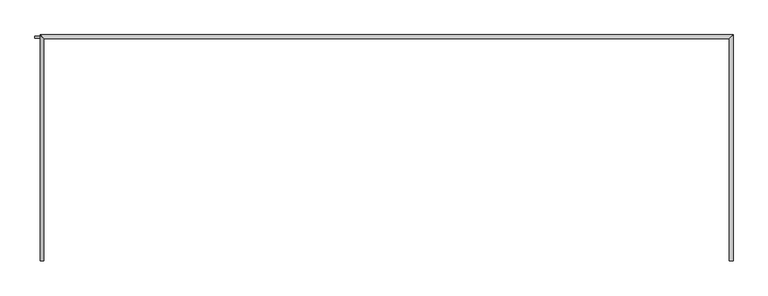
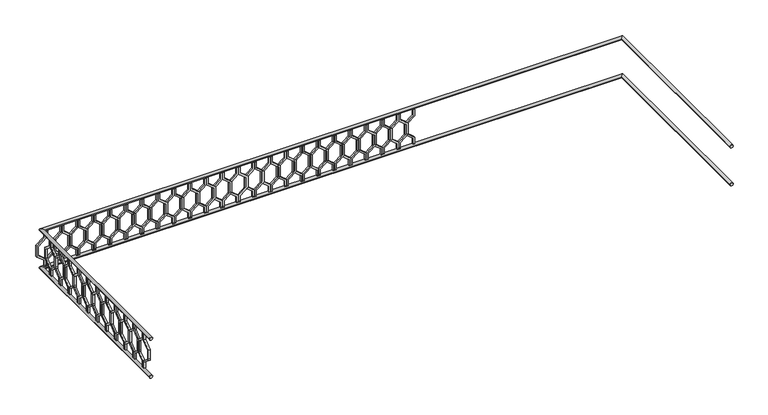
"""IFC4 building model written with IfcOpenShell, lengths in millimetres: railing geometry."""

import ifcopenshell
import ifcopenshell.guid

model = None  # the IFC model being written
_history = None  # IfcOwnerHistory: only IFC2X3 demands one
_inside = {}  # id of a spatial element -> (the spatial element, [elements in it])
_under = {}  # id of a project, library or spatial element -> (it, [spatial elements below it])
_declared = {}  # id of a project -> (the project, [libraries it declares])
_typed = {}  # id of a type object -> (the type object, [elements of that type])
_made_of = {}  # id of a material, layer set ... -> (it, [elements and type objects made of it])


def new_model(schema):
    """Start an empty IFC model of exactly this schema.

    Asked for "IFC4X3", IfcOpenShell would pick the latest addendum, in which some entities
    have other attributes; the version numbers below select the first issue.
    IFC2X3 requires an IfcOwnerHistory on every rooted entity: one is made here for all.
    """
    global model, _history
    if schema == "IFC4X3":
        model = ifcopenshell.file(schema_version=(4, 3, 0, 0))
    else:
        model = ifcopenshell.file(schema=schema)
    _inside.clear()
    _under.clear()
    _declared.clear()
    _typed.clear()
    _made_of.clear()
    _history = None
    if model.schema == "IFC2X3":
        org = make("IfcOrganization", Name="unknown")
        user = make(
            "IfcPersonAndOrganization",
            ThePerson=make("IfcPerson", FamilyName="unknown"),
            TheOrganization=org,
        )
        app = make(
            "IfcApplication",
            ApplicationDeveloper=org,
            Version="unknown",
            ApplicationFullName="unknown",
            ApplicationIdentifier="unknown",
        )
        _history = make(
            "IfcOwnerHistory",
            OwningUser=user,
            OwningApplication=app,
            ChangeAction="ADDED",
            CreationDate=0,
        )
    return model


def make(cls, **values):
    """One entity of the class cls with the attributes given. An attribute that is None is left unset."""
    return model.create_entity(
        cls, **{name: value for name, value in values.items() if value is not None}
    )


def rooted(cls, **values):
    """An entity with a GlobalId (a new one), such as an element, a storey or a relation."""
    return make(cls, GlobalId=ifcopenshell.guid.new(), OwnerHistory=_history, **values)


def si_unit(unit_type, name, prefix=None):
    """IfcSIUnit, for example si_unit("LENGTHUNIT", "METRE", prefix="MILLI")."""
    return make("IfcSIUnit", UnitType=unit_type, Prefix=prefix, Name=name)


def assignment(units):
    """IfcUnitAssignment: the units of a project."""
    return None if units is None else make("IfcUnitAssignment", Units=units)


def point(xyz):
    """IfcCartesianPoint."""
    return None if xyz is None else make("IfcCartesianPoint", Coordinates=xyz)


def direction(xyz):
    """IfcDirection."""
    return None if xyz is None else make("IfcDirection", DirectionRatios=xyz)


def frame(location, z_axis=None, x_axis=None):
    """IfcAxis2Placement3D, a coordinate frame: its origin and axes. An axis left out is left unset."""
    return make(
        "IfcAxis2Placement3D",
        Location=point(location),
        Axis=direction(z_axis),
        RefDirection=direction(x_axis),
    )


def origin():
    """The frame at (0, 0, 0) with its axes left unset."""
    return frame((0.0, 0.0, 0.0))


def place(relative_to, where):
    """IfcLocalPlacement: puts the frame where relative to a parent placement (None: the world)."""
    return make(
        "IfcLocalPlacement", PlacementRelTo=relative_to, RelativePlacement=where
    )


def context(
    kind, dimensions, precision=None, world=None, true_north=None, identifier=None
):
    """IfcGeometricRepresentationContext, for example the 3D "Model" context."""
    return make(
        "IfcGeometricRepresentationContext",
        ContextIdentifier=identifier,
        ContextType=kind,
        CoordinateSpaceDimension=dimensions,
        Precision=precision,
        WorldCoordinateSystem=world,
        TrueNorth=true_north,
    )


def project(units=None, contexts=None):
    """IfcProject with its units and contexts."""
    return rooted(
        "IfcProject",
        Name="project",
        RepresentationContexts=contexts,
        UnitsInContext=assignment(units),
    )


def spatial(cls, under=None, at=None, **own):
    """A site, building, storey or space (cls), placed at a placement, below another one or the project."""
    s = rooted(cls, ObjectPlacement=at, **own)
    if under is not None:
        _under.setdefault(under.id(), (under, []))[1].append(s)
    return s


def polyline(points):
    """IfcPolyline through the points."""
    return make("IfcPolyline", Points=[point(p) for p in points])


def circle_curve(where, radius):
    """IfcCircle in the frame where."""
    return make("IfcCircle", Position=where, Radius=radius)


def ellipse_curve(where, semi_axis1, semi_axis2):
    """IfcEllipse in the frame where."""
    return make(
        "IfcEllipse", Position=where, SemiAxis1=semi_axis1, SemiAxis2=semi_axis2
    )


def outline(outer, holes=None, kind="AREA"):
    """IfcArbitraryClosedProfileDef: a profile drawn as a closed curve; with holes, ...WithVoids."""
    if holes is None:
        return make("IfcArbitraryClosedProfileDef", ProfileType=kind, OuterCurve=outer)
    return make(
        "IfcArbitraryProfileDefWithVoids",
        ProfileType=kind,
        OuterCurve=outer,
        InnerCurves=holes,
    )


def extrude(swept, where, along, depth):
    """IfcExtrudedAreaSolid: the profile swept, set in the frame where, extruded along a direction by depth."""
    return make(
        "IfcExtrudedAreaSolid",
        SweptArea=swept,
        Position=where,
        ExtrudedDirection=direction(along),
        Depth=depth,
    )


def shape(context_of_items, identifier, shape_type, items):
    """IfcShapeRepresentation: the items that make up one representation, for example the "Body"."""
    return make(
        "IfcShapeRepresentation",
        ContextOfItems=context_of_items,
        RepresentationIdentifier=identifier,
        RepresentationType=shape_type,
        Items=items,
    )


def source(mapping_origin, context_of_items, identifier, shape_type, items):
    """IfcRepresentationMap: a shape defined once, which mapped items show again and again."""
    return make(
        "IfcRepresentationMap",
        MappingOrigin=mapping_origin,
        MappedRepresentation=shape(context_of_items, identifier, shape_type, items),
    )


def transform(
    local_origin,
    x_axis=None,
    y_axis=None,
    z_axis=None,
    scale=None,
    scale2=None,
    scale3=None,
    uniform=True,
):
    """IfcCartesianTransformationOperator3D, or its non-uniform kind. x_axis, y_axis, z_axis: its Axis1, 2, 3."""
    if uniform:
        return make(
            "IfcCartesianTransformationOperator3D",
            Axis1=direction(x_axis),
            Axis2=direction(y_axis),
            LocalOrigin=point(local_origin),
            Scale=scale,
            Axis3=direction(z_axis),
        )
    return make(
        "IfcCartesianTransformationOperator3DnonUniform",
        Axis1=direction(x_axis),
        Axis2=direction(y_axis),
        LocalOrigin=point(local_origin),
        Scale=scale,
        Axis3=direction(z_axis),
        Scale2=scale2,
        Scale3=scale3,
    )


def mapped(mapping_source, mapping_target):
    """IfcMappedItem: shows the shape of a source again, moved by a transform."""
    return make(
        "IfcMappedItem", MappingSource=mapping_source, MappingTarget=mapping_target
    )


def made_of(thing, what):
    """Note that an element or type object is made of a material, layer set ...; save() writes the relation."""
    if what is not None:
        _made_of.setdefault(what.id(), (what, []))[1].append(thing)
    return thing


def element(
    cls,
    number,
    at=None,
    inside=None,
    cuts=None,
    type_object=None,
    material=None,
    context=None,
    identifier="Body",
    shape_type=None,
    held_by="IfcProductDefinitionShape",
    body=None,
    shapes=None,
    **own,
):
    """One element of the class cls, such as IfcWall. Its Tag is "e" and its number.

    at: its placement. inside: the storey or other place that contains it. cuts: it is an
    opening in that element (IfcRelVoidsElement). A single representation is given by context,
    identifier, shape_type and body (its items); several are given by shapes. held_by: the class
    of the entity that holds the representations. save() writes the other relations.
    """
    e = rooted(cls, Tag="e%d" % number, ObjectPlacement=at, **own)
    if body is not None:
        shapes = [shape(context, identifier, shape_type, body)]
    if shapes is not None:
        e.Representation = make(held_by, Representations=shapes)
    if inside is not None:
        _inside.setdefault(inside.id(), (inside, []))[1].append(e)
    if cuts is not None:
        rooted(
            "IfcRelVoidsElement", RelatingBuildingElement=cuts, RelatedOpeningElement=e
        )
    if type_object is not None:
        _typed.setdefault(type_object.id(), (type_object, []))[1].append(e)
    return made_of(e, material)


def aggregate(whole, parts):
    """IfcRelAggregates: a whole, such as a stair, and the parts it consists of."""
    return rooted("IfcRelAggregates", RelatingObject=whole, RelatedObjects=parts)


def save(model, path):
    """Write the relations noted so far, then the file.

    IfcRelAggregates (storeys below a building ...), IfcRelContainedInSpatialStructure (elements
    in a storey), IfcRelDefinesByType, IfcRelAssociatesMaterial and IfcRelDeclares: one each for
    every whole, place, type object, material and project.
    """
    for whole, parts in _under.values():
        aggregate(whole, parts)
    for where, things in _inside.values():
        rooted(
            "IfcRelContainedInSpatialStructure",
            RelatedElements=things,
            RelatingStructure=where,
        )
    for kind, things in _typed.values():
        rooted("IfcRelDefinesByType", RelatedObjects=things, RelatingType=kind)
    for what, things in _made_of.values():
        rooted("IfcRelAssociatesMaterial", RelatedObjects=things, RelatingMaterial=what)
    for by, libraries in _declared.values():
        rooted("IfcRelDeclares", RelatingContext=by, RelatedDefinitions=libraries)
    model.write(path)


def plane_surface(at):
    """IfcPlane: the flat surface through the origin of the frame at, square to its z axis."""
    return make("IfcPlane", Position=at)


def cylinder_surface(at, radius):
    """IfcCylindricalSurface: all points at the distance radius from the z axis of the frame at."""
    return make("IfcCylindricalSurface", Position=at, Radius=radius)


def advanced_brep(points, edges, surfaces, faces):
    """IfcAdvancedBrep: a solid bounded by faces that lie on surfaces and meet in shared edges.

    An edge is (start, end): straight between two places in points (the first is 0);
    or (start, end, curve); or (start, end, curve, False) where it runs against its curve.
    A face is (place in surfaces, loops), or (place, loops, False) where it looks against
    its surface's normal. A loop lists edges by number (the first is 1), with a minus sign
    where the edge is run from its end to its start. The first loop is the outer one.
    """
    corners = [point(p) for p in points]
    vertices = [make("IfcVertexPoint", VertexGeometry=c) for c in corners]
    made = []
    for start, end, *more in edges:
        made.append(
            make(
                "IfcEdgeCurve",
                EdgeStart=vertices[start],
                EdgeEnd=vertices[end],
                EdgeGeometry=more[0] if more else make("IfcPolyline", Points=[corners[start], corners[end]]),
                SameSense=more[1] if len(more) > 1 else True,
            )
        )
    hull = []
    for where, loops, *sense in faces:
        bounds = []
        for j, loop in enumerate(loops):
            ring = [make("IfcOrientedEdge", EdgeElement=made[abs(k) - 1], Orientation=k > 0) for k in loop]
            bounds.append(
                make(
                    "IfcFaceOuterBound" if j == 0 else "IfcFaceBound",
                    Bound=make("IfcEdgeLoop", EdgeList=ring),
                    Orientation=True,
                )
            )
        hull.append(make("IfcAdvancedFace", Bounds=bounds, FaceSurface=surfaces[where], SameSense=sense[0] if sense else True))
    return make("IfcAdvancedBrep", Outer=make("IfcClosedShell", CfsFaces=hull))


def railing_c33d72bb(model_context):
    return source(origin(), model_context, "Body", "SolidModel", [
        advanced_brep(
        [(-40739.9887159, 903.1079487, 12180.0), (-40699.9887159, 903.1079487, 12180.0), (-40739.9887159, 3243.1079487, 12180.0), (-40699.9887159, 3283.1079487, 12180.0), (-47939.9887159, 3243.1079487, 12180.0), (-47979.9887159, 3283.1079487, 12180.0), (-47939.9887159, 903.1079487, 12180.0), (-47979.9887159, 903.1079487, 12180.0)],
        [
            (0, 1, circle_curve(frame((-40719.9887159, 903.1079487, 12180.0), z_axis=(0.0, -1.0, 0.0), x_axis=(1.0, 0.0, 0.0)), 20.0)),
            (1, 0, circle_curve(frame((-40719.9887159, 903.1079487, 12180.0), z_axis=(0.0, -1.0, 0.0), x_axis=(1.0, 0.0, 0.0)), 20.0)),
            (0, 2),
            (2, 3, ellipse_curve(frame((-40719.9887159, 3263.1079487, 12180.0), z_axis=(0.7071067811865475, -0.7071067811865476, 0.0), x_axis=(-0.7071067811865476, -0.7071067811865475, 0.0)), 28.2842712, 20.0)),
            (3, 1),
            (3, 2, ellipse_curve(frame((-40719.9887159, 3263.1079487, 12180.0), z_axis=(0.7071067811865475, -0.7071067811865476, 0.0), x_axis=(-0.7071067811865476, -0.7071067811865475, 0.0)), 28.2842712, 20.0)),
            (2, 4),
            (4, 5, ellipse_curve(frame((-47959.9887159, 3263.1079487, 12180.0), z_axis=(0.7071067811865481, 0.7071067811865469, 0.0), x_axis=(0.7071067811865469, -0.7071067811865481, 0.0)), 28.2842712, 20.0)),
            (5, 3),
            (5, 4, ellipse_curve(frame((-47959.9887159, 3263.1079487, 12180.0), z_axis=(0.7071067811865481, 0.7071067811865469, 0.0), x_axis=(0.7071067811865469, -0.7071067811865481, 0.0)), 28.2842712, 20.0)),
            (6, 7, circle_curve(frame((-47959.9887159, 903.1079487, 12180.0), z_axis=(0.0, -1.0, 0.0), x_axis=(-1.0, 0.0, 0.0)), 20.0)),
            (7, 6, circle_curve(frame((-47959.9887159, 903.1079487, 12180.0), z_axis=(0.0, -1.0, 0.0), x_axis=(-1.0, 0.0, 0.0)), 20.0)),
            (4, 6),
            (7, 5),
        ],
        [
            plane_surface(frame((-40719.9887159, 903.1079487, 12200.0), z_axis=(0.0, -1.0, 0.0), x_axis=(0.0, 0.0, 1.0))),
            cylinder_surface(frame((-40719.9887159, 903.1079487, 12180.0), z_axis=(0.0, -1.0, 0.0), x_axis=(1.0, 0.0, 0.0)), 20.0),
            cylinder_surface(frame((-40719.9887159, 3263.1079487, 12180.0), z_axis=(1.0, 0.0, 0.0), x_axis=(0.0, 1.0, 0.0)), 20.0),
            plane_surface(frame((-47959.9887159, 903.1079487, 12200.0), z_axis=(0.0, -1.0, 0.0), x_axis=(0.0, 0.0, -1.0))),
            cylinder_surface(frame((-47959.9887159, 3263.1079487, 12180.0), z_axis=(0.0, 1.0, 0.0), x_axis=(-1.0, 0.0, 0.0)), 20.0),
        ],
        [
            (0, [[1, 2]]),
            (1, [[-1, 3, 4, 5]]),
            (1, [[-2, -5, 6, -3]]),
            (2, [[-4, 7, 8, 9]]),
            (2, [[-6, -9, 10, -7]]),
            (3, [[11, 12]]),
            (4, [[-8, 13, -12, 14]]),
            (4, [[-10, -14, -11, -13]]),
        ],
    ),
        advanced_brep(
        [(-40739.9887159, 903.1079487, 11680.0), (-40699.9887159, 903.1079487, 11680.0), (-40739.9887159, 3243.1079487, 11680.0), (-40699.9887159, 3283.1079487, 11680.0), (-47939.9887159, 3243.1079487, 11680.0), (-47979.9887159, 3283.1079487, 11680.0), (-47939.9887159, 903.1079487, 11680.0), (-47979.9887159, 903.1079487, 11680.0)],
        [
            (0, 1, circle_curve(frame((-40719.9887159, 903.1079487, 11680.0), z_axis=(0.0, -1.0, 0.0), x_axis=(1.0, 0.0, 0.0)), 20.0)),
            (1, 0, circle_curve(frame((-40719.9887159, 903.1079487, 11680.0), z_axis=(0.0, -1.0, 0.0), x_axis=(1.0, 0.0, 0.0)), 20.0)),
            (0, 2),
            (2, 3, ellipse_curve(frame((-40719.9887159, 3263.1079487, 11680.0), z_axis=(0.7071067811865475, -0.7071067811865476, 0.0), x_axis=(-0.7071067811865476, -0.7071067811865475, 0.0)), 28.2842712, 20.0)),
            (3, 1),
            (3, 2, ellipse_curve(frame((-40719.9887159, 3263.1079487, 11680.0), z_axis=(0.7071067811865475, -0.7071067811865476, 0.0), x_axis=(-0.7071067811865476, -0.7071067811865475, 0.0)), 28.2842712, 20.0)),
            (2, 4),
            (4, 5, ellipse_curve(frame((-47959.9887159, 3263.1079487, 11680.0), z_axis=(0.7071067811865481, 0.7071067811865469, 0.0), x_axis=(0.7071067811865469, -0.7071067811865481, 0.0)), 28.2842712, 20.0)),
            (5, 3),
            (5, 4, ellipse_curve(frame((-47959.9887159, 3263.1079487, 11680.0), z_axis=(0.7071067811865481, 0.7071067811865469, 0.0), x_axis=(0.7071067811865469, -0.7071067811865481, 0.0)), 28.2842712, 20.0)),
            (6, 7, circle_curve(frame((-47959.9887159, 903.1079487, 11680.0), z_axis=(0.0, -1.0, 0.0), x_axis=(-1.0, 0.0, 0.0)), 20.0)),
            (7, 6, circle_curve(frame((-47959.9887159, 903.1079487, 11680.0), z_axis=(0.0, -1.0, 0.0), x_axis=(-1.0, 0.0, 0.0)), 20.0)),
            (4, 6),
            (7, 5),
        ],
        [
            plane_surface(frame((-40719.9887159, 903.1079487, 11700.0), z_axis=(0.0, -1.0, 0.0), x_axis=(0.0, 0.0, 1.0))),
            cylinder_surface(frame((-40719.9887159, 903.1079487, 11680.0), z_axis=(0.0, -1.0, 0.0), x_axis=(1.0, 0.0, 0.0)), 20.0),
            cylinder_surface(frame((-40719.9887159, 3263.1079487, 11680.0), z_axis=(1.0, 0.0, 0.0), x_axis=(0.0, 1.0, 0.0)), 20.0),
            plane_surface(frame((-47959.9887159, 903.1079487, 11700.0), z_axis=(0.0, -1.0, 0.0), x_axis=(0.0, 0.0, -1.0))),
            cylinder_surface(frame((-47959.9887159, 3263.1079487, 11680.0), z_axis=(0.0, 1.0, 0.0), x_axis=(-1.0, 0.0, 0.0)), 20.0),
        ],
        [
            (0, [[1, 2]]),
            (1, [[-1, 3, 4, 5]]),
            (1, [[-2, -5, 6, -3]]),
            (2, [[-4, 7, 8, 9]]),
            (2, [[-6, -9, 10, -7]]),
            (3, [[11, 12]]),
            (4, [[-8, 13, -12, 14]]),
            (4, [[-10, -14, -11, -13]]),
        ],
    ),
        extrude(outline(polyline([(1068.1079487, 12160.0), (1068.1079487, 12070.448155), (969.1129993, 11990.448155), (969.1129993, 11869.551845), (1068.1079487, 11789.551845), (1068.1079487, 11700.0), (1048.1079487, 11700.0), (1048.1079487, 11780.0), (949.1129993, 11860.0), (949.1129993, 12000.0), (1048.1079487, 12080.0), (1048.1079487, 12160.0), (1068.1079487, 12160.0)])), frame((-47964.9887159, 0.0, 0.0), z_axis=(1.0, 0.0, 0.0), x_axis=(0.0, 1.0, 0.0)), (0.0, 0.0, 1.0), 20.0),
        extrude(outline(polyline([(1068.1079487, 12160.0), (1088.1079487, 12160.0), (1088.1079487, 12080.0), (1187.102898, 12000.0), (1187.102898, 11860.0), (1088.1079487, 11780.0), (1088.1079487, 11700.0), (1068.1079487, 11700.0), (1068.1079487, 11789.551845), (1167.102898, 11869.551845), (1167.102898, 11990.448155), (1068.1079487, 12070.448155), (1068.1079487, 12160.0)])), frame((-47964.9887159, 0.0, 0.0), z_axis=(1.0, 0.0, 0.0), x_axis=(0.0, 1.0, 0.0)), (0.0, 0.0, 1.0), 20.0),
        extrude(outline(polyline([(1268.1079487, 12160.0), (1268.1079487, 12070.448155), (1169.1129993, 11990.448155), (1169.1129993, 11869.551845), (1268.1079487, 11789.551845), (1268.1079487, 11700.0), (1248.1079487, 11700.0), (1248.1079487, 11780.0), (1149.1129993, 11860.0), (1149.1129993, 12000.0), (1248.1079487, 12080.0), (1248.1079487, 12160.0), (1268.1079487, 12160.0)])), frame((-47964.9887159, 0.0, 0.0), z_axis=(1.0, 0.0, 0.0), x_axis=(0.0, 1.0, 0.0)), (0.0, 0.0, 1.0), 20.0),
        extrude(outline(polyline([(1268.1079487, 12160.0), (1288.1079487, 12160.0), (1288.1079487, 12080.0), (1387.102898, 12000.0), (1387.102898, 11860.0), (1288.1079487, 11780.0), (1288.1079487, 11700.0), (1268.1079487, 11700.0), (1268.1079487, 11789.551845), (1367.102898, 11869.551845), (1367.102898, 11990.448155), (1268.1079487, 12070.448155), (1268.1079487, 12160.0)])), frame((-47964.9887159, 0.0, 0.0), z_axis=(1.0, 0.0, 0.0), x_axis=(0.0, 1.0, 0.0)), (0.0, 0.0, 1.0), 20.0),
        extrude(outline(polyline([(1468.1079487, 12160.0), (1468.1079487, 12070.448155), (1369.1129993, 11990.448155), (1369.1129993, 11869.551845), (1468.1079487, 11789.551845), (1468.1079487, 11700.0), (1448.1079487, 11700.0), (1448.1079487, 11780.0), (1349.1129993, 11860.0), (1349.1129993, 12000.0), (1448.1079487, 12080.0), (1448.1079487, 12160.0), (1468.1079487, 12160.0)])), frame((-47964.9887159, 0.0, 0.0), z_axis=(1.0, 0.0, 0.0), x_axis=(0.0, 1.0, 0.0)), (0.0, 0.0, 1.0), 20.0),
        extrude(outline(polyline([(1468.1079487, 12160.0), (1488.1079487, 12160.0), (1488.1079487, 12080.0), (1587.102898, 12000.0), (1587.102898, 11860.0), (1488.1079487, 11780.0), (1488.1079487, 11700.0), (1468.1079487, 11700.0), (1468.1079487, 11789.551845), (1567.102898, 11869.551845), (1567.102898, 11990.448155), (1468.1079487, 12070.448155), (1468.1079487, 12160.0)])), frame((-47964.9887159, 0.0, 0.0), z_axis=(1.0, 0.0, 0.0), x_axis=(0.0, 1.0, 0.0)), (0.0, 0.0, 1.0), 20.0),
        extrude(outline(polyline([(1668.1079487, 12160.0), (1668.1079487, 12070.448155), (1569.1129993, 11990.448155), (1569.1129993, 11869.551845), (1668.1079487, 11789.551845), (1668.1079487, 11700.0), (1648.1079487, 11700.0), (1648.1079487, 11780.0), (1549.1129993, 11860.0), (1549.1129993, 12000.0), (1648.1079487, 12080.0), (1648.1079487, 12160.0), (1668.1079487, 12160.0)])), frame((-47964.9887159, 0.0, 0.0), z_axis=(1.0, 0.0, 0.0), x_axis=(0.0, 1.0, 0.0)), (0.0, 0.0, 1.0), 20.0),
        extrude(outline(polyline([(1668.1079487, 12160.0), (1688.1079487, 12160.0), (1688.1079487, 12080.0), (1787.102898, 12000.0), (1787.102898, 11860.0), (1688.1079487, 11780.0), (1688.1079487, 11700.0), (1668.1079487, 11700.0), (1668.1079487, 11789.551845), (1767.102898, 11869.551845), (1767.102898, 11990.448155), (1668.1079487, 12070.448155), (1668.1079487, 12160.0)])), frame((-47964.9887159, 0.0, 0.0), z_axis=(1.0, 0.0, 0.0), x_axis=(0.0, 1.0, 0.0)), (0.0, 0.0, 1.0), 20.0),
        extrude(outline(polyline([(1868.1079487, 12160.0), (1868.1079487, 12070.448155), (1769.1129993, 11990.448155), (1769.1129993, 11869.551845), (1868.1079487, 11789.551845), (1868.1079487, 11700.0), (1848.1079487, 11700.0), (1848.1079487, 11780.0), (1749.1129993, 11860.0), (1749.1129993, 12000.0), (1848.1079487, 12080.0), (1848.1079487, 12160.0), (1868.1079487, 12160.0)])), frame((-47964.9887159, 0.0, 0.0), z_axis=(1.0, 0.0, 0.0), x_axis=(0.0, 1.0, 0.0)), (0.0, 0.0, 1.0), 20.0),
        extrude(outline(polyline([(1868.1079487, 12160.0), (1888.1079487, 12160.0), (1888.1079487, 12080.0), (1987.102898, 12000.0), (1987.102898, 11860.0), (1888.1079487, 11780.0), (1888.1079487, 11700.0), (1868.1079487, 11700.0), (1868.1079487, 11789.551845), (1967.102898, 11869.551845), (1967.102898, 11990.448155), (1868.1079487, 12070.448155), (1868.1079487, 12160.0)])), frame((-47964.9887159, 0.0, 0.0), z_axis=(1.0, 0.0, 0.0), x_axis=(0.0, 1.0, 0.0)), (0.0, 0.0, 1.0), 20.0),
        extrude(outline(polyline([(2068.1079487, 12160.0), (2068.1079487, 12070.448155), (1969.1129993, 11990.448155), (1969.1129993, 11869.551845), (2068.1079487, 11789.551845), (2068.1079487, 11700.0), (2048.1079487, 11700.0), (2048.1079487, 11780.0), (1949.1129993, 11860.0), (1949.1129993, 12000.0), (2048.1079487, 12080.0), (2048.1079487, 12160.0), (2068.1079487, 12160.0)])), frame((-47964.9887159, 0.0, 0.0), z_axis=(1.0, 0.0, 0.0), x_axis=(0.0, 1.0, 0.0)), (0.0, 0.0, 1.0), 20.0),
        extrude(outline(polyline([(2068.1079487, 12160.0), (2088.1079487, 12160.0), (2088.1079487, 12080.0), (2187.102898, 12000.0), (2187.102898, 11860.0), (2088.1079487, 11780.0), (2088.1079487, 11700.0), (2068.1079487, 11700.0), (2068.1079487, 11789.551845), (2167.102898, 11869.551845), (2167.102898, 11990.448155), (2068.1079487, 12070.448155), (2068.1079487, 12160.0)])), frame((-47964.9887159, 0.0, 0.0), z_axis=(1.0, 0.0, 0.0), x_axis=(0.0, 1.0, 0.0)), (0.0, 0.0, 1.0), 20.0),
        extrude(outline(polyline([(2268.1079487, 12160.0), (2268.1079487, 12070.448155), (2169.1129993, 11990.448155), (2169.1129993, 11869.551845), (2268.1079487, 11789.551845), (2268.1079487, 11700.0), (2248.1079487, 11700.0), (2248.1079487, 11780.0), (2149.1129993, 11860.0), (2149.1129993, 12000.0), (2248.1079487, 12080.0), (2248.1079487, 12160.0), (2268.1079487, 12160.0)])), frame((-47964.9887159, 0.0, 0.0), z_axis=(1.0, 0.0, 0.0), x_axis=(0.0, 1.0, 0.0)), (0.0, 0.0, 1.0), 20.0),
        extrude(outline(polyline([(2268.1079487, 12160.0), (2288.1079487, 12160.0), (2288.1079487, 12080.0), (2387.102898, 12000.0), (2387.102898, 11860.0), (2288.1079487, 11780.0), (2288.1079487, 11700.0), (2268.1079487, 11700.0), (2268.1079487, 11789.551845), (2367.102898, 11869.551845), (2367.102898, 11990.448155), (2268.1079487, 12070.448155), (2268.1079487, 12160.0)])), frame((-47964.9887159, 0.0, 0.0), z_axis=(1.0, 0.0, 0.0), x_axis=(0.0, 1.0, 0.0)), (0.0, 0.0, 1.0), 20.0),
        extrude(outline(polyline([(2468.1079487, 12160.0), (2468.1079487, 12070.448155), (2369.1129993, 11990.448155), (2369.1129993, 11869.551845), (2468.1079487, 11789.551845), (2468.1079487, 11700.0), (2448.1079487, 11700.0), (2448.1079487, 11780.0), (2349.1129993, 11860.0), (2349.1129993, 12000.0), (2448.1079487, 12080.0), (2448.1079487, 12160.0), (2468.1079487, 12160.0)])), frame((-47964.9887159, 0.0, 0.0), z_axis=(1.0, 0.0, 0.0), x_axis=(0.0, 1.0, 0.0)), (0.0, 0.0, 1.0), 20.0),
        extrude(outline(polyline([(2468.1079487, 12160.0), (2488.1079487, 12160.0), (2488.1079487, 12080.0), (2587.102898, 12000.0), (2587.102898, 11860.0), (2488.1079487, 11780.0), (2488.1079487, 11700.0), (2468.1079487, 11700.0), (2468.1079487, 11789.551845), (2567.102898, 11869.551845), (2567.102898, 11990.448155), (2468.1079487, 12070.448155), (2468.1079487, 12160.0)])), frame((-47964.9887159, 0.0, 0.0), z_axis=(1.0, 0.0, 0.0), x_axis=(0.0, 1.0, 0.0)), (0.0, 0.0, 1.0), 20.0),
        extrude(outline(polyline([(2668.1079487, 12160.0), (2668.1079487, 12070.448155), (2569.1129993, 11990.448155), (2569.1129993, 11869.551845), (2668.1079487, 11789.551845), (2668.1079487, 11700.0), (2648.1079487, 11700.0), (2648.1079487, 11780.0), (2549.1129993, 11860.0), (2549.1129993, 12000.0), (2648.1079487, 12080.0), (2648.1079487, 12160.0), (2668.1079487, 12160.0)])), frame((-47964.9887159, 0.0, 0.0), z_axis=(1.0, 0.0, 0.0), x_axis=(0.0, 1.0, 0.0)), (0.0, 0.0, 1.0), 20.0),
        extrude(outline(polyline([(2668.1079487, 12160.0), (2688.1079487, 12160.0), (2688.1079487, 12080.0), (2787.102898, 12000.0), (2787.102898, 11860.0), (2688.1079487, 11780.0), (2688.1079487, 11700.0), (2668.1079487, 11700.0), (2668.1079487, 11789.551845), (2767.102898, 11869.551845), (2767.102898, 11990.448155), (2668.1079487, 12070.448155), (2668.1079487, 12160.0)])), frame((-47964.9887159, 0.0, 0.0), z_axis=(1.0, 0.0, 0.0), x_axis=(0.0, 1.0, 0.0)), (0.0, 0.0, 1.0), 20.0),
        extrude(outline(polyline([(2868.1079487, 12160.0), (2868.1079487, 12070.448155), (2769.1129993, 11990.448155), (2769.1129993, 11869.551845), (2868.1079487, 11789.551845), (2868.1079487, 11700.0), (2848.1079487, 11700.0), (2848.1079487, 11780.0), (2749.1129993, 11860.0), (2749.1129993, 12000.0), (2848.1079487, 12080.0), (2848.1079487, 12160.0), (2868.1079487, 12160.0)])), frame((-47964.9887159, 0.0, 0.0), z_axis=(1.0, 0.0, 0.0), x_axis=(0.0, 1.0, 0.0)), (0.0, 0.0, 1.0), 20.0),
        extrude(outline(polyline([(2868.1079487, 12160.0), (2888.1079487, 12160.0), (2888.1079487, 12080.0), (2987.102898, 12000.0), (2987.102898, 11860.0), (2888.1079487, 11780.0), (2888.1079487, 11700.0), (2868.1079487, 11700.0), (2868.1079487, 11789.551845), (2967.102898, 11869.551845), (2967.102898, 11990.448155), (2868.1079487, 12070.448155), (2868.1079487, 12160.0)])), frame((-47964.9887159, 0.0, 0.0), z_axis=(1.0, 0.0, 0.0), x_axis=(0.0, 1.0, 0.0)), (0.0, 0.0, 1.0), 20.0),
        extrude(outline(polyline([(3068.1079487, 12160.0), (3068.1079487, 12070.448155), (2969.1129993, 11990.448155), (2969.1129993, 11869.551845), (3068.1079487, 11789.551845), (3068.1079487, 11700.0), (3048.1079487, 11700.0), (3048.1079487, 11780.0), (2949.1129993, 11860.0), (2949.1129993, 12000.0), (3048.1079487, 12080.0), (3048.1079487, 12160.0), (3068.1079487, 12160.0)])), frame((-47964.9887159, 0.0, 0.0), z_axis=(1.0, 0.0, 0.0), x_axis=(0.0, 1.0, 0.0)), (0.0, 0.0, 1.0), 20.0),
        extrude(outline(polyline([(3068.1079487, 12160.0), (3088.1079487, 12160.0), (3088.1079487, 12080.0), (3187.102898, 12000.0), (3187.102898, 11860.0), (3088.1079487, 11780.0), (3088.1079487, 11700.0), (3068.1079487, 11700.0), (3068.1079487, 11789.551845), (3167.102898, 11869.551845), (3167.102898, 11990.448155), (3068.1079487, 12070.448155), (3068.1079487, 12160.0)])), frame((-47964.9887159, 0.0, 0.0), z_axis=(1.0, 0.0, 0.0), x_axis=(0.0, 1.0, 0.0)), (0.0, 0.0, 1.0), 20.0),
        extrude(outline(polyline([(12160.0, -47914.9887159), (12160.0, -47934.9887159), (12080.0, -47934.9887159), (12000.0, -48033.9836653), (11860.0, -48033.9836653), (11780.0, -47934.9887159), (11700.0, -47934.9887159), (11700.0, -47914.9887159), (11789.551845, -47914.9887159), (11869.551845, -48013.9836653), (11990.448155, -48013.9836653), (12070.448155, -47914.9887159), (12160.0, -47914.9887159)])), frame((0.0, 3248.1079487, 0.0), z_axis=(0.0, 1.0, 0.0), x_axis=(0.0, 0.0, 1.0)), (0.0, 0.0, 1.0), 20.0),
        extrude(outline(polyline([(12160.0, -47914.9887159), (12070.448155, -47914.9887159), (11990.448155, -47815.9937665), (11869.551845, -47815.9937665), (11789.551845, -47914.9887159), (11700.0, -47914.9887159), (11700.0, -47894.9887159), (11780.0, -47894.9887159), (11860.0, -47795.9937665), (12000.0, -47795.9937665), (12080.0, -47894.9887159), (12160.0, -47894.9887159), (12160.0, -47914.9887159)])), frame((0.0, 3248.1079487, 0.0), z_axis=(0.0, 1.0, 0.0), x_axis=(0.0, 0.0, 1.0)), (0.0, 0.0, 1.0), 20.0),
        extrude(outline(polyline([(12160.0, -47714.9887159), (12160.0, -47734.9887159), (12080.0, -47734.9887159), (12000.0, -47833.9836653), (11860.0, -47833.9836653), (11780.0, -47734.9887159), (11700.0, -47734.9887159), (11700.0, -47714.9887159), (11789.551845, -47714.9887159), (11869.551845, -47813.9836653), (11990.448155, -47813.9836653), (12070.448155, -47714.9887159), (12160.0, -47714.9887159)])), frame((0.0, 3248.1079487, 0.0), z_axis=(0.0, 1.0, 0.0), x_axis=(0.0, 0.0, 1.0)), (0.0, 0.0, 1.0), 20.0),
        extrude(outline(polyline([(12160.0, -47714.9887159), (12070.448155, -47714.9887159), (11990.448155, -47615.9937665), (11869.551845, -47615.9937665), (11789.551845, -47714.9887159), (11700.0, -47714.9887159), (11700.0, -47694.9887159), (11780.0, -47694.9887159), (11860.0, -47595.9937665), (12000.0, -47595.9937665), (12080.0, -47694.9887159), (12160.0, -47694.9887159), (12160.0, -47714.9887159)])), frame((0.0, 3248.1079487, 0.0), z_axis=(0.0, 1.0, 0.0), x_axis=(0.0, 0.0, 1.0)), (0.0, 0.0, 1.0), 20.0),
        extrude(outline(polyline([(12160.0, -47514.9887159), (12160.0, -47534.9887159), (12080.0, -47534.9887159), (12000.0, -47633.9836653), (11860.0, -47633.9836653), (11780.0, -47534.9887159), (11700.0, -47534.9887159), (11700.0, -47514.9887159), (11789.551845, -47514.9887159), (11869.551845, -47613.9836653), (11990.448155, -47613.9836653), (12070.448155, -47514.9887159), (12160.0, -47514.9887159)])), frame((0.0, 3248.1079487, 0.0), z_axis=(0.0, 1.0, 0.0), x_axis=(0.0, 0.0, 1.0)), (0.0, 0.0, 1.0), 20.0),
        extrude(outline(polyline([(12160.0, -47514.9887159), (12070.448155, -47514.9887159), (11990.448155, -47415.9937665), (11869.551845, -47415.9937665), (11789.551845, -47514.9887159), (11700.0, -47514.9887159), (11700.0, -47494.9887159), (11780.0, -47494.9887159), (11860.0, -47395.9937665), (12000.0, -47395.9937665), (12080.0, -47494.9887159), (12160.0, -47494.9887159), (12160.0, -47514.9887159)])), frame((0.0, 3248.1079487, 0.0), z_axis=(0.0, 1.0, 0.0), x_axis=(0.0, 0.0, 1.0)), (0.0, 0.0, 1.0), 20.0),
        extrude(outline(polyline([(12160.0, -47314.9887159), (12160.0, -47334.9887159), (12080.0, -47334.9887159), (12000.0, -47433.9836653), (11860.0, -47433.9836653), (11780.0, -47334.9887159), (11700.0, -47334.9887159), (11700.0, -47314.9887159), (11789.551845, -47314.9887159), (11869.551845, -47413.9836653), (11990.448155, -47413.9836653), (12070.448155, -47314.9887159), (12160.0, -47314.9887159)])), frame((0.0, 3248.1079487, 0.0), z_axis=(0.0, 1.0, 0.0), x_axis=(0.0, 0.0, 1.0)), (0.0, 0.0, 1.0), 20.0),
        extrude(outline(polyline([(12160.0, -47314.9887159), (12070.448155, -47314.9887159), (11990.448155, -47215.9937665), (11869.551845, -47215.9937665), (11789.551845, -47314.9887159), (11700.0, -47314.9887159), (11700.0, -47294.9887159), (11780.0, -47294.9887159), (11860.0, -47195.9937665), (12000.0, -47195.9937665), (12080.0, -47294.9887159), (12160.0, -47294.9887159), (12160.0, -47314.9887159)])), frame((0.0, 3248.1079487, 0.0), z_axis=(0.0, 1.0, 0.0), x_axis=(0.0, 0.0, 1.0)), (0.0, 0.0, 1.0), 20.0),
        extrude(outline(polyline([(12160.0, -47114.9887159), (12160.0, -47134.9887159), (12080.0, -47134.9887159), (12000.0, -47233.9836653), (11860.0, -47233.9836653), (11780.0, -47134.9887159), (11700.0, -47134.9887159), (11700.0, -47114.9887159), (11789.551845, -47114.9887159), (11869.551845, -47213.9836653), (11990.448155, -47213.9836653), (12070.448155, -47114.9887159), (12160.0, -47114.9887159)])), frame((0.0, 3248.1079487, 0.0), z_axis=(0.0, 1.0, 0.0), x_axis=(0.0, 0.0, 1.0)), (0.0, 0.0, 1.0), 20.0),
        extrude(outline(polyline([(12160.0, -47114.9887159), (12070.448155, -47114.9887159), (11990.448155, -47015.9937665), (11869.551845, -47015.9937665), (11789.551845, -47114.9887159), (11700.0, -47114.9887159), (11700.0, -47094.9887159), (11780.0, -47094.9887159), (11860.0, -46995.9937665), (12000.0, -46995.9937665), (12080.0, -47094.9887159), (12160.0, -47094.9887159), (12160.0, -47114.9887159)])), frame((0.0, 3248.1079487, 0.0), z_axis=(0.0, 1.0, 0.0), x_axis=(0.0, 0.0, 1.0)), (0.0, 0.0, 1.0), 20.0),
        extrude(outline(polyline([(12160.0, -46914.9887159), (12160.0, -46934.9887159), (12080.0, -46934.9887159), (12000.0, -47033.9836653), (11860.0, -47033.9836653), (11780.0, -46934.9887159), (11700.0, -46934.9887159), (11700.0, -46914.9887159), (11789.551845, -46914.9887159), (11869.551845, -47013.9836653), (11990.448155, -47013.9836653), (12070.448155, -46914.9887159), (12160.0, -46914.9887159)])), frame((0.0, 3248.1079487, 0.0), z_axis=(0.0, 1.0, 0.0), x_axis=(0.0, 0.0, 1.0)), (0.0, 0.0, 1.0), 20.0),
        extrude(outline(polyline([(12160.0, -46914.9887159), (12070.448155, -46914.9887159), (11990.448155, -46815.9937665), (11869.551845, -46815.9937665), (11789.551845, -46914.9887159), (11700.0, -46914.9887159), (11700.0, -46894.9887159), (11780.0, -46894.9887159), (11860.0, -46795.9937665), (12000.0, -46795.9937665), (12080.0, -46894.9887159), (12160.0, -46894.9887159), (12160.0, -46914.9887159)])), frame((0.0, 3248.1079487, 0.0), z_axis=(0.0, 1.0, 0.0), x_axis=(0.0, 0.0, 1.0)), (0.0, 0.0, 1.0), 20.0),
        extrude(outline(polyline([(12160.0, -46714.9887159), (12160.0, -46734.9887159), (12080.0, -46734.9887159), (12000.0, -46833.9836653), (11860.0, -46833.9836653), (11780.0, -46734.9887159), (11700.0, -46734.9887159), (11700.0, -46714.9887159), (11789.551845, -46714.9887159), (11869.551845, -46813.9836653), (11990.448155, -46813.9836653), (12070.448155, -46714.9887159), (12160.0, -46714.9887159)])), frame((0.0, 3248.1079487, 0.0), z_axis=(0.0, 1.0, 0.0), x_axis=(0.0, 0.0, 1.0)), (0.0, 0.0, 1.0), 20.0),
        extrude(outline(polyline([(12160.0, -46714.9887159), (12070.448155, -46714.9887159), (11990.448155, -46615.9937665), (11869.551845, -46615.9937665), (11789.551845, -46714.9887159), (11700.0, -46714.9887159), (11700.0, -46694.9887159), (11780.0, -46694.9887159), (11860.0, -46595.9937665), (12000.0, -46595.9937665), (12080.0, -46694.9887159), (12160.0, -46694.9887159), (12160.0, -46714.9887159)])), frame((0.0, 3248.1079487, 0.0), z_axis=(0.0, 1.0, 0.0), x_axis=(0.0, 0.0, 1.0)), (0.0, 0.0, 1.0), 20.0),
        extrude(outline(polyline([(12160.0, -46514.9887159), (12160.0, -46534.9887159), (12080.0, -46534.9887159), (12000.0, -46633.9836653), (11860.0, -46633.9836653), (11780.0, -46534.9887159), (11700.0, -46534.9887159), (11700.0, -46514.9887159), (11789.551845, -46514.9887159), (11869.551845, -46613.9836653), (11990.448155, -46613.9836653), (12070.448155, -46514.9887159), (12160.0, -46514.9887159)])), frame((0.0, 3248.1079487, 0.0), z_axis=(0.0, 1.0, 0.0), x_axis=(0.0, 0.0, 1.0)), (0.0, 0.0, 1.0), 20.0),
        extrude(outline(polyline([(12160.0, -46514.9887159), (12070.448155, -46514.9887159), (11990.448155, -46415.9937665), (11869.551845, -46415.9937665), (11789.551845, -46514.9887159), (11700.0, -46514.9887159), (11700.0, -46494.9887159), (11780.0, -46494.9887159), (11860.0, -46395.9937665), (12000.0, -46395.9937665), (12080.0, -46494.9887159), (12160.0, -46494.9887159), (12160.0, -46514.9887159)])), frame((0.0, 3248.1079487, 0.0), z_axis=(0.0, 1.0, 0.0), x_axis=(0.0, 0.0, 1.0)), (0.0, 0.0, 1.0), 20.0),
        extrude(outline(polyline([(12160.0, -46314.9887159), (12160.0, -46334.9887159), (12080.0, -46334.9887159), (12000.0, -46433.9836653), (11860.0, -46433.9836653), (11780.0, -46334.9887159), (11700.0, -46334.9887159), (11700.0, -46314.9887159), (11789.551845, -46314.9887159), (11869.551845, -46413.9836653), (11990.448155, -46413.9836653), (12070.448155, -46314.9887159), (12160.0, -46314.9887159)])), frame((0.0, 3248.1079487, 0.0), z_axis=(0.0, 1.0, 0.0), x_axis=(0.0, 0.0, 1.0)), (0.0, 0.0, 1.0), 20.0),
        extrude(outline(polyline([(12160.0, -46314.9887159), (12070.448155, -46314.9887159), (11990.448155, -46215.9937665), (11869.551845, -46215.9937665), (11789.551845, -46314.9887159), (11700.0, -46314.9887159), (11700.0, -46294.9887159), (11780.0, -46294.9887159), (11860.0, -46195.9937665), (12000.0, -46195.9937665), (12080.0, -46294.9887159), (12160.0, -46294.9887159), (12160.0, -46314.9887159)])), frame((0.0, 3248.1079487, 0.0), z_axis=(0.0, 1.0, 0.0), x_axis=(0.0, 0.0, 1.0)), (0.0, 0.0, 1.0), 20.0),
        extrude(outline(polyline([(12160.0, -46114.9887159), (12160.0, -46134.9887159), (12080.0, -46134.9887159), (12000.0, -46233.9836653), (11860.0, -46233.9836653), (11780.0, -46134.9887159), (11700.0, -46134.9887159), (11700.0, -46114.9887159), (11789.551845, -46114.9887159), (11869.551845, -46213.9836653), (11990.448155, -46213.9836653), (12070.448155, -46114.9887159), (12160.0, -46114.9887159)])), frame((0.0, 3248.1079487, 0.0), z_axis=(0.0, 1.0, 0.0), x_axis=(0.0, 0.0, 1.0)), (0.0, 0.0, 1.0), 20.0),
        extrude(outline(polyline([(12160.0, -46114.9887159), (12070.448155, -46114.9887159), (11990.448155, -46015.9937665), (11869.551845, -46015.9937665), (11789.551845, -46114.9887159), (11700.0, -46114.9887159), (11700.0, -46094.9887159), (11780.0, -46094.9887159), (11860.0, -45995.9937665), (12000.0, -45995.9937665), (12080.0, -46094.9887159), (12160.0, -46094.9887159), (12160.0, -46114.9887159)])), frame((0.0, 3248.1079487, 0.0), z_axis=(0.0, 1.0, 0.0), x_axis=(0.0, 0.0, 1.0)), (0.0, 0.0, 1.0), 20.0),
        extrude(outline(polyline([(12160.0, -45914.9887159), (12160.0, -45934.9887159), (12080.0, -45934.9887159), (12000.0, -46033.9836653), (11860.0, -46033.9836653), (11780.0, -45934.9887159), (11700.0, -45934.9887159), (11700.0, -45914.9887159), (11789.551845, -45914.9887159), (11869.551845, -46013.9836653), (11990.448155, -46013.9836653), (12070.448155, -45914.9887159), (12160.0, -45914.9887159)])), frame((0.0, 3248.1079487, 0.0), z_axis=(0.0, 1.0, 0.0), x_axis=(0.0, 0.0, 1.0)), (0.0, 0.0, 1.0), 20.0),
        extrude(outline(polyline([(12160.0, -45914.9887159), (12070.448155, -45914.9887159), (11990.448155, -45815.9937665), (11869.551845, -45815.9937665), (11789.551845, -45914.9887159), (11700.0, -45914.9887159), (11700.0, -45894.9887159), (11780.0, -45894.9887159), (11860.0, -45795.9937665), (12000.0, -45795.9937665), (12080.0, -45894.9887159), (12160.0, -45894.9887159), (12160.0, -45914.9887159)])), frame((0.0, 3248.1079487, 0.0), z_axis=(0.0, 1.0, 0.0), x_axis=(0.0, 0.0, 1.0)), (0.0, 0.0, 1.0), 20.0),
        extrude(outline(polyline([(12160.0, -45714.9887159), (12160.0, -45734.9887159), (12080.0, -45734.9887159), (12000.0, -45833.9836653), (11860.0, -45833.9836653), (11780.0, -45734.9887159), (11700.0, -45734.9887159), (11700.0, -45714.9887159), (11789.551845, -45714.9887159), (11869.551845, -45813.9836653), (11990.448155, -45813.9836653), (12070.448155, -45714.9887159), (12160.0, -45714.9887159)])), frame((0.0, 3248.1079487, 0.0), z_axis=(0.0, 1.0, 0.0), x_axis=(0.0, 0.0, 1.0)), (0.0, 0.0, 1.0), 20.0),
        extrude(outline(polyline([(12160.0, -45714.9887159), (12070.448155, -45714.9887159), (11990.448155, -45615.9937665), (11869.551845, -45615.9937665), (11789.551845, -45714.9887159), (11700.0, -45714.9887159), (11700.0, -45694.9887159), (11780.0, -45694.9887159), (11860.0, -45595.9937665), (12000.0, -45595.9937665), (12080.0, -45694.9887159), (12160.0, -45694.9887159), (12160.0, -45714.9887159)])), frame((0.0, 3248.1079487, 0.0), z_axis=(0.0, 1.0, 0.0), x_axis=(0.0, 0.0, 1.0)), (0.0, 0.0, 1.0), 20.0),
        extrude(outline(polyline([(12160.0, -45514.9887159), (12160.0, -45534.9887159), (12080.0, -45534.9887159), (12000.0, -45633.9836653), (11860.0, -45633.9836653), (11780.0, -45534.9887159), (11700.0, -45534.9887159), (11700.0, -45514.9887159), (11789.551845, -45514.9887159), (11869.551845, -45613.9836653), (11990.448155, -45613.9836653), (12070.448155, -45514.9887159), (12160.0, -45514.9887159)])), frame((0.0, 3248.1079487, 0.0), z_axis=(0.0, 1.0, 0.0), x_axis=(0.0, 0.0, 1.0)), (0.0, 0.0, 1.0), 20.0),
        extrude(outline(polyline([(12160.0, -45514.9887159), (12070.448155, -45514.9887159), (11990.448155, -45415.9937665), (11869.551845, -45415.9937665), (11789.551845, -45514.9887159), (11700.0, -45514.9887159), (11700.0, -45494.9887159), (11780.0, -45494.9887159), (11860.0, -45395.9937665), (12000.0, -45395.9937665), (12080.0, -45494.9887159), (12160.0, -45494.9887159), (12160.0, -45514.9887159)])), frame((0.0, 3248.1079487, 0.0), z_axis=(0.0, 1.0, 0.0), x_axis=(0.0, 0.0, 1.0)), (0.0, 0.0, 1.0), 20.0),
        extrude(outline(polyline([(12160.0, -45314.9887159), (12160.0, -45334.9887159), (12080.0, -45334.9887159), (12000.0, -45433.9836653), (11860.0, -45433.9836653), (11780.0, -45334.9887159), (11700.0, -45334.9887159), (11700.0, -45314.9887159), (11789.551845, -45314.9887159), (11869.551845, -45413.9836653), (11990.448155, -45413.9836653), (12070.448155, -45314.9887159), (12160.0, -45314.9887159)])), frame((0.0, 3248.1079487, 0.0), z_axis=(0.0, 1.0, 0.0), x_axis=(0.0, 0.0, 1.0)), (0.0, 0.0, 1.0), 20.0),
        extrude(outline(polyline([(12160.0, -45314.9887159), (12070.448155, -45314.9887159), (11990.448155, -45215.9937665), (11869.551845, -45215.9937665), (11789.551845, -45314.9887159), (11700.0, -45314.9887159), (11700.0, -45294.9887159), (11780.0, -45294.9887159), (11860.0, -45195.9937665), (12000.0, -45195.9937665), (12080.0, -45294.9887159), (12160.0, -45294.9887159), (12160.0, -45314.9887159)])), frame((0.0, 3248.1079487, 0.0), z_axis=(0.0, 1.0, 0.0), x_axis=(0.0, 0.0, 1.0)), (0.0, 0.0, 1.0), 20.0),
        extrude(outline(polyline([(12160.0, -45114.9887159), (12160.0, -45134.9887159), (12080.0, -45134.9887159), (12000.0, -45233.9836653), (11860.0, -45233.9836653), (11780.0, -45134.9887159), (11700.0, -45134.9887159), (11700.0, -45114.9887159), (11789.551845, -45114.9887159), (11869.551845, -45213.9836653), (11990.448155, -45213.9836653), (12070.448155, -45114.9887159), (12160.0, -45114.9887159)])), frame((0.0, 3248.1079487, 0.0), z_axis=(0.0, 1.0, 0.0), x_axis=(0.0, 0.0, 1.0)), (0.0, 0.0, 1.0), 20.0),
        extrude(outline(polyline([(12160.0, -45114.9887159), (12070.448155, -45114.9887159), (11990.448155, -45015.9937665), (11869.551845, -45015.9937665), (11789.551845, -45114.9887159), (11700.0, -45114.9887159), (11700.0, -45094.9887159), (11780.0, -45094.9887159), (11860.0, -44995.9937665), (12000.0, -44995.9937665), (12080.0, -45094.9887159), (12160.0, -45094.9887159), (12160.0, -45114.9887159)])), frame((0.0, 3248.1079487, 0.0), z_axis=(0.0, 1.0, 0.0), x_axis=(0.0, 0.0, 1.0)), (0.0, 0.0, 1.0), 20.0),
        extrude(outline(polyline([(12160.0, -44914.9887159), (12160.0, -44934.9887159), (12080.0, -44934.9887159), (12000.0, -45033.9836653), (11860.0, -45033.9836653), (11780.0, -44934.9887159), (11700.0, -44934.9887159), (11700.0, -44914.9887159), (11789.551845, -44914.9887159), (11869.551845, -45013.9836653), (11990.448155, -45013.9836653), (12070.448155, -44914.9887159), (12160.0, -44914.9887159)])), frame((0.0, 3248.1079487, 0.0), z_axis=(0.0, 1.0, 0.0), x_axis=(0.0, 0.0, 1.0)), (0.0, 0.0, 1.0), 20.0),
        extrude(outline(polyline([(12160.0, -44914.9887159), (12070.448155, -44914.9887159), (11990.448155, -44815.9937665), (11869.551845, -44815.9937665), (11789.551845, -44914.9887159), (11700.0, -44914.9887159), (11700.0, -44894.9887159), (11780.0, -44894.9887159), (11860.0, -44795.9937665), (12000.0, -44795.9937665), (12080.0, -44894.9887159), (12160.0, -44894.9887159), (12160.0, -44914.9887159)])), frame((0.0, 3248.1079487, 0.0), z_axis=(0.0, 1.0, 0.0), x_axis=(0.0, 0.0, 1.0)), (0.0, 0.0, 1.0), 20.0),
        extrude(outline(polyline([(12160.0, -44714.9887159), (12160.0, -44734.9887159), (12080.0, -44734.9887159), (12000.0, -44833.9836653), (11860.0, -44833.9836653), (11780.0, -44734.9887159), (11700.0, -44734.9887159), (11700.0, -44714.9887159), (11789.551845, -44714.9887159), (11869.551845, -44813.9836653), (11990.448155, -44813.9836653), (12070.448155, -44714.9887159), (12160.0, -44714.9887159)])), frame((0.0, 3248.1079487, 0.0), z_axis=(0.0, 1.0, 0.0), x_axis=(0.0, 0.0, 1.0)), (0.0, 0.0, 1.0), 20.0),
        extrude(outline(polyline([(12160.0, -44714.9887159), (12070.448155, -44714.9887159), (11990.448155, -44615.9937665), (11869.551845, -44615.9937665), (11789.551845, -44714.9887159), (11700.0, -44714.9887159), (11700.0, -44694.9887159), (11780.0, -44694.9887159), (11860.0, -44595.9937665), (12000.0, -44595.9937665), (12080.0, -44694.9887159), (12160.0, -44694.9887159), (12160.0, -44714.9887159)])), frame((0.0, 3248.1079487, 0.0), z_axis=(0.0, 1.0, 0.0), x_axis=(0.0, 0.0, 1.0)), (0.0, 0.0, 1.0), 20.0),
        extrude(outline(polyline([(12160.0, -44514.9887159), (12160.0, -44534.9887159), (12080.0, -44534.9887159), (12000.0, -44633.9836653), (11860.0, -44633.9836653), (11780.0, -44534.9887159), (11700.0, -44534.9887159), (11700.0, -44514.9887159), (11789.551845, -44514.9887159), (11869.551845, -44613.9836653), (11990.448155, -44613.9836653), (12070.448155, -44514.9887159), (12160.0, -44514.9887159)])), frame((0.0, 3248.1079487, 0.0), z_axis=(0.0, 1.0, 0.0), x_axis=(0.0, 0.0, 1.0)), (0.0, 0.0, 1.0), 20.0),
        extrude(outline(polyline([(12160.0, -44514.9887159), (12070.448155, -44514.9887159), (11990.448155, -44415.9937665), (11869.551845, -44415.9937665), (11789.551845, -44514.9887159), (11700.0, -44514.9887159), (11700.0, -44494.9887159), (11780.0, -44494.9887159), (11860.0, -44395.9937665), (12000.0, -44395.9937665), (12080.0, -44494.9887159), (12160.0, -44494.9887159), (12160.0, -44514.9887159)])), frame((0.0, 3248.1079487, 0.0), z_axis=(0.0, 1.0, 0.0), x_axis=(0.0, 0.0, 1.0)), (0.0, 0.0, 1.0), 20.0),
        extrude(outline(polyline([(12160.0, -44314.9887159), (12160.0, -44334.9887159), (12080.0, -44334.9887159), (12000.0, -44433.9836653), (11860.0, -44433.9836653), (11780.0, -44334.9887159), (11700.0, -44334.9887159), (11700.0, -44314.9887159), (11789.551845, -44314.9887159), (11869.551845, -44413.9836653), (11990.448155, -44413.9836653), (12070.448155, -44314.9887159), (12160.0, -44314.9887159)])), frame((0.0, 3248.1079487, 0.0), z_axis=(0.0, 1.0, 0.0), x_axis=(0.0, 0.0, 1.0)), (0.0, 0.0, 1.0), 20.0),
        extrude(outline(polyline([(12160.0, -44314.9887159), (12070.448155, -44314.9887159), (11990.448155, -44215.9937665), (11869.551845, -44215.9937665), (11789.551845, -44314.9887159), (11700.0, -44314.9887159), (11700.0, -44294.9887159), (11780.0, -44294.9887159), (11860.0, -44195.9937665), (12000.0, -44195.9937665), (12080.0, -44294.9887159), (12160.0, -44294.9887159), (12160.0, -44314.9887159)])), frame((0.0, 3248.1079487, 0.0), z_axis=(0.0, 1.0, 0.0), x_axis=(0.0, 0.0, 1.0)), (0.0, 0.0, 1.0), 20.0),
        extrude(outline(polyline([(12160.0, -44114.9887159), (12160.0, -44134.9887159), (12080.0, -44134.9887159), (12000.0, -44233.9836653), (11860.0, -44233.9836653), (11780.0, -44134.9887159), (11700.0, -44134.9887159), (11700.0, -44114.9887159), (11789.551845, -44114.9887159), (11869.551845, -44213.9836653), (11990.448155, -44213.9836653), (12070.448155, -44114.9887159), (12160.0, -44114.9887159)])), frame((0.0, 3248.1079487, 0.0), z_axis=(0.0, 1.0, 0.0), x_axis=(0.0, 0.0, 1.0)), (0.0, 0.0, 1.0), 20.0),
        extrude(outline(polyline([(12160.0, -44114.9887159), (12070.448155, -44114.9887159), (11990.448155, -44015.9937665), (11869.551845, -44015.9937665), (11789.551845, -44114.9887159), (11700.0, -44114.9887159), (11700.0, -44094.9887159), (11780.0, -44094.9887159), (11860.0, -43995.9937665), (12000.0, -43995.9937665), (12080.0, -44094.9887159), (12160.0, -44094.9887159), (12160.0, -44114.9887159)])), frame((0.0, 3248.1079487, 0.0), z_axis=(0.0, 1.0, 0.0), x_axis=(0.0, 0.0, 1.0)), (0.0, 0.0, 1.0), 20.0),
        extrude(outline(polyline([(12160.0, -43914.9887159), (12160.0, -43934.9887159), (12080.0, -43934.9887159), (12000.0, -44033.9836653), (11860.0, -44033.9836653), (11780.0, -43934.9887159), (11700.0, -43934.9887159), (11700.0, -43914.9887159), (11789.551845, -43914.9887159), (11869.551845, -44013.9836653), (11990.448155, -44013.9836653), (12070.448155, -43914.9887159), (12160.0, -43914.9887159)])), frame((0.0, 3248.1079487, 0.0), z_axis=(0.0, 1.0, 0.0), x_axis=(0.0, 0.0, 1.0)), (0.0, 0.0, 1.0), 20.0),
        extrude(outline(polyline([(12160.0, -43914.9887159), (12070.448155, -43914.9887159), (11990.448155, -43815.9937665), (11869.551845, -43815.9937665), (11789.551845, -43914.9887159), (11700.0, -43914.9887159), (11700.0, -43894.9887159), (11780.0, -43894.9887159), (11860.0, -43795.9937665), (12000.0, -43795.9937665), (12080.0, -43894.9887159), (12160.0, -43894.9887159), (12160.0, -43914.9887159)])), frame((0.0, 3248.1079487, 0.0), z_axis=(0.0, 1.0, 0.0), x_axis=(0.0, 0.0, 1.0)), (0.0, 0.0, 1.0), 20.0),
        extrude(outline(polyline([(12160.0, -43714.9887159), (12160.0, -43734.9887159), (12080.0, -43734.9887159), (12000.0, -43833.9836653), (11860.0, -43833.9836653), (11780.0, -43734.9887159), (11700.0, -43734.9887159), (11700.0, -43714.9887159), (11789.551845, -43714.9887159), (11869.551845, -43813.9836653), (11990.448155, -43813.9836653), (12070.448155, -43714.9887159), (12160.0, -43714.9887159)])), frame((0.0, 3248.1079487, 0.0), z_axis=(0.0, 1.0, 0.0), x_axis=(0.0, 0.0, 1.0)), (0.0, 0.0, 1.0), 20.0),
        extrude(outline(polyline([(12160.0, -43714.9887159), (12070.448155, -43714.9887159), (11990.448155, -43615.9937665), (11869.551845, -43615.9937665), (11789.551845, -43714.9887159), (11700.0, -43714.9887159), (11700.0, -43694.9887159), (11780.0, -43694.9887159), (11860.0, -43595.9937665), (12000.0, -43595.9937665), (12080.0, -43694.9887159), (12160.0, -43694.9887159), (12160.0, -43714.9887159)])), frame((0.0, 3248.1079487, 0.0), z_axis=(0.0, 1.0, 0.0), x_axis=(0.0, 0.0, 1.0)), (0.0, 0.0, 1.0), 20.0),
        extrude(outline(polyline([(12160.0, -43514.9887159), (12160.0, -43534.9887159), (12080.0, -43534.9887159), (12000.0, -43633.9836653), (11860.0, -43633.9836653), (11780.0, -43534.9887159), (11700.0, -43534.9887159), (11700.0, -43514.9887159), (11789.551845, -43514.9887159), (11869.551845, -43613.9836653), (11990.448155, -43613.9836653), (12070.448155, -43514.9887159), (12160.0, -43514.9887159)])), frame((0.0, 3248.1079487, 0.0), z_axis=(0.0, 1.0, 0.0), x_axis=(0.0, 0.0, 1.0)), (0.0, 0.0, 1.0), 20.0),
        extrude(outline(polyline([(12160.0, -43514.9887159), (12070.448155, -43514.9887159), (11990.448155, -43415.9937665), (11869.551845, -43415.9937665), (11789.551845, -43514.9887159), (11700.0, -43514.9887159), (11700.0, -43494.9887159), (11780.0, -43494.9887159), (11860.0, -43395.9937665), (12000.0, -43395.9937665), (12080.0, -43494.9887159), (12160.0, -43494.9887159), (12160.0, -43514.9887159)])), frame((0.0, 3248.1079487, 0.0), z_axis=(0.0, 1.0, 0.0), x_axis=(0.0, 0.0, 1.0)), (0.0, 0.0, 1.0), 20.0),
        extrude(outline(polyline([(12160.0, -43314.9887159), (12160.0, -43334.9887159), (12080.0, -43334.9887159), (12000.0, -43433.9836653), (11860.0, -43433.9836653), (11780.0, -43334.9887159), (11700.0, -43334.9887159), (11700.0, -43314.9887159), (11789.551845, -43314.9887159), (11869.551845, -43413.9836653), (11990.448155, -43413.9836653), (12070.448155, -43314.9887159), (12160.0, -43314.9887159)])), frame((0.0, 3248.1079487, 0.0), z_axis=(0.0, 1.0, 0.0), x_axis=(0.0, 0.0, 1.0)), (0.0, 0.0, 1.0), 20.0),
    ])


if __name__ == "__main__":
    model = new_model("IFC4")
    model_context = context("Model", 3, world=origin())
    ifc_project = project(units=[si_unit("LENGTHUNIT", "METRE", prefix="MILLI")], contexts=[model_context])
    site = spatial("IfcSite", under=ifc_project)
    building = spatial("IfcBuilding", under=site)
    placement = place(None, origin())
    railing_shape = railing_c33d72bb(model_context)
    element("IfcRailing", 1, at=placement, inside=building, context=model_context, shape_type="MappedRepresentation", body=[
        mapped(railing_shape, transform((0.0, 0.0, 0.0), x_axis=(1.0, 0.0, 0.0), y_axis=(0.0, 1.0, 0.0), z_axis=(0.0, 0.0, 1.0))),
    ])
    save(model, "model.ifc")
